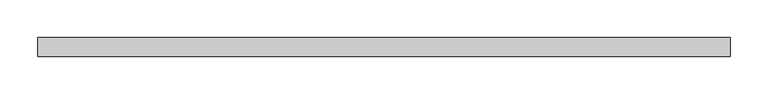
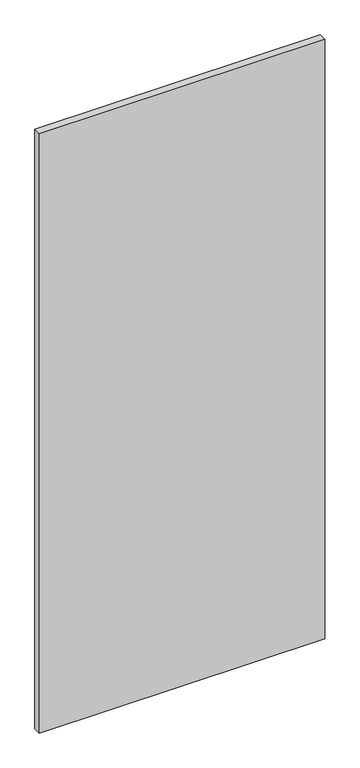
"""IFC4 building model written with IfcOpenShell, lengths in millimetres: plate geometry."""

from ifc_helpers import new_model, si_unit, origin, origin_with_axes, place, context, project, spatial, polyline, outline, extrude, source, transform, mapped, element, save


def plate_10f94715(model_context):
    return source(origin(), model_context, "Body", "SweptSolid", [
        extrude(outline(polyline([(455.7834526, 24.5), (-455.7834526, 24.5), (-455.7834526, 49.5), (455.7834526, 49.5), (455.7834526, 24.5)])), origin_with_axes(), (0.0, 0.0, 1.0), 2025.0),
    ])


if __name__ == "__main__":
    model = new_model("IFC4")
    model_context = context("Model", 3, world=origin())
    ifc_project = project(units=[si_unit("LENGTHUNIT", "METRE", prefix="MILLI")], contexts=[model_context])
    site = spatial("IfcSite", under=ifc_project)
    building = spatial("IfcBuilding", under=site)
    placement = place(None, origin())
    plate_shape = plate_10f94715(model_context)
    element("IfcPlate", 1, at=placement, inside=building, context=model_context, shape_type="MappedRepresentation", body=[
        mapped(plate_shape, transform((0.0, 0.0, 0.0), x_axis=(1.0, 0.0, 0.0), y_axis=(0.0, 1.0, 0.0), z_axis=(0.0, 0.0, 1.0))),
    ])
    save(model, "model.ifc")
